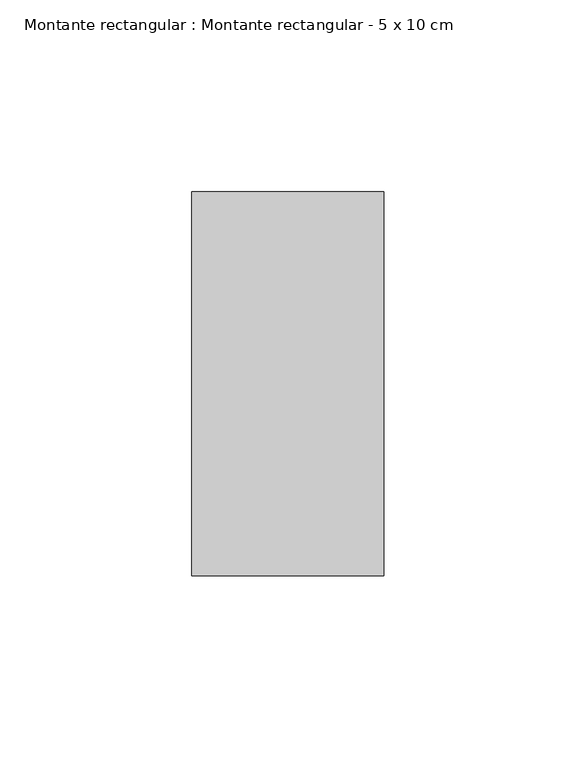
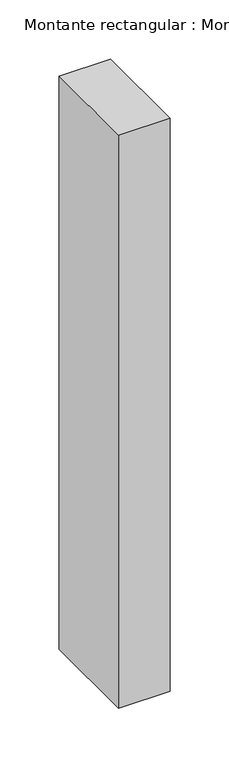
"""IFC4 building model written with IfcOpenShell, lengths in millimetres: member geometry, Montante rectangular : Montante rectangular - 5 x 10 cm."""

from ifc_helpers import new_model, si_unit, frame, origin, place, context, project, spatial, polyline, outline, extrude, source, transform, mapped, element, save


def montante_rectangular_montante_rectangular_5_x_10_cm_eacf047d(model_context):
    return source(origin(), model_context, "Body", "SweptSolid", [
        extrude(outline(polyline([(0.0, 50.0), (0.0, -50.0), (-50.0, -50.0), (-50.0, 50.0), (0.0, 50.0)])), frame((0.0, 0.0, -589.5345998), z_axis=(0.0, 0.0, 1.0), x_axis=(1.0, 0.0, 0.0)), (0.0, 0.0, 1.0), 589.5345998),
    ])


if __name__ == "__main__":
    model = new_model("IFC4")
    model_context = context("Model", 3, world=origin())
    ifc_project = project(units=[si_unit("LENGTHUNIT", "METRE", prefix="MILLI")], contexts=[model_context])
    site = spatial("IfcSite", under=ifc_project)
    building = spatial("IfcBuilding", under=site)
    placement = place(None, origin())
    montante_rectangular_montante_rectangular_5_x_10_cm_shape = montante_rectangular_montante_rectangular_5_x_10_cm_eacf047d(model_context)
    element("IfcMember", 1, ObjectType="Montante rectangular : Montante rectangular - 5 x 10 cm", at=placement, inside=building, context=model_context, shape_type="MappedRepresentation", body=[
        mapped(montante_rectangular_montante_rectangular_5_x_10_cm_shape, transform((0.0, 0.0, 0.0), x_axis=(1.0, 0.0, 0.0), y_axis=(0.0, 1.0, 0.0), z_axis=(0.0, 0.0, 1.0))),
    ])
    save(model, "model.ifc")
